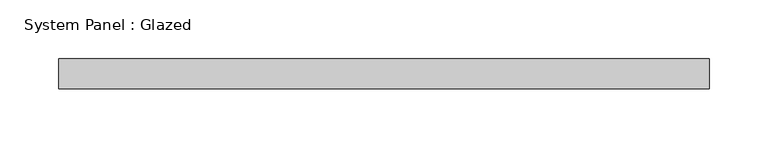
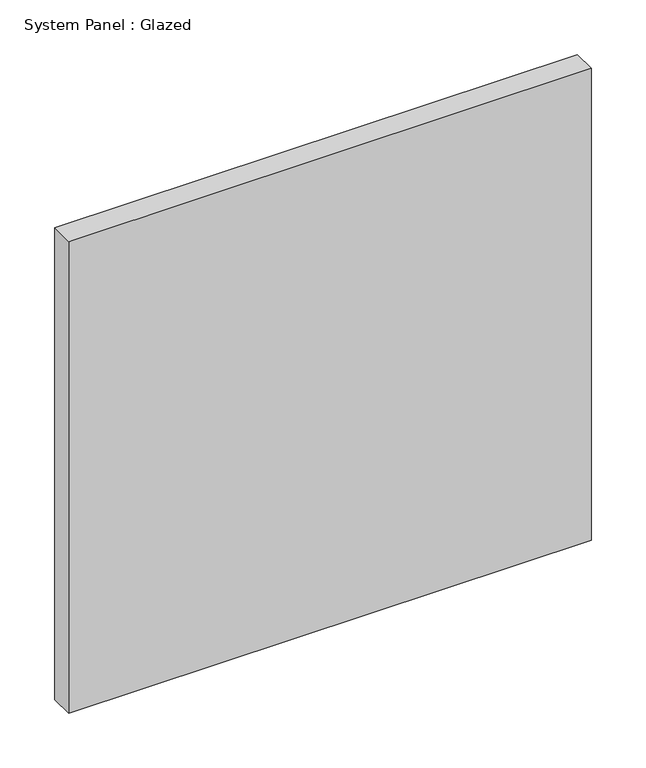
"""IFC4 building model written with IfcOpenShell, lengths in millimetres: plate geometry, System Panel : Glazed."""

from ifc_helpers import new_model, si_unit, origin, origin_with_axes, place, context, project, spatial, polyline, outline, extrude, source, transform, mapped, element, save


def system_panel_glazed_1518bf0c(model_context):
    return source(origin(), model_context, "Body", "SweptSolid", [
        extrude(outline(polyline([(276.225, -44.45), (-276.225, -44.45), (-276.225, -19.05), (276.225, -19.05), (276.225, -44.45)])), origin_with_axes(), (0.0, 0.0, 1.0), 527.05),
    ])


if __name__ == "__main__":
    model = new_model("IFC4")
    model_context = context("Model", 3, world=origin())
    ifc_project = project(units=[si_unit("LENGTHUNIT", "METRE", prefix="MILLI")], contexts=[model_context])
    site = spatial("IfcSite", under=ifc_project)
    building = spatial("IfcBuilding", under=site)
    placement = place(None, origin())
    system_panel_glazed_shape = system_panel_glazed_1518bf0c(model_context)
    element("IfcPlate", 1, ObjectType="System Panel : Glazed", at=placement, inside=building, context=model_context, shape_type="MappedRepresentation", body=[
        mapped(system_panel_glazed_shape, transform((0.0, 0.0, 0.0), x_axis=(1.0, 0.0, 0.0), y_axis=(0.0, 1.0, 0.0), z_axis=(0.0, 0.0, 1.0))),
    ])
    save(model, "model.ifc")
